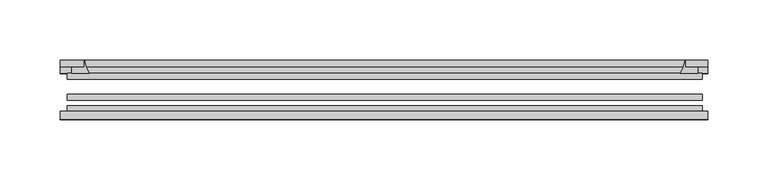
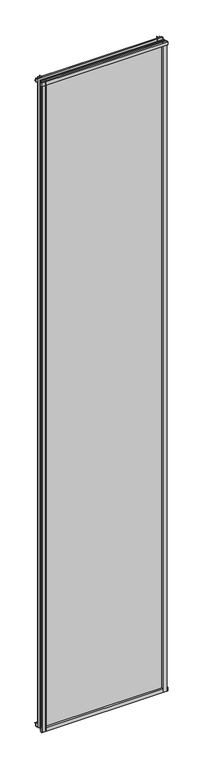
"""IFC4 building model written with IfcOpenShell, lengths in millimetres: plate geometry."""

from ifc_helpers import new_model, si_unit, point, frame, frame_2d, origin, place, context, project, spatial, polyline, circle_curve, trimmed, segment, composite_curve, outline, extrude, source, transform, mapped, element, save


def plate_96d40207(model_context):
    return source(origin(), model_context, "Body", "SweptSolid", [
        extrude(outline(composite_curve([segment(polyline([(-85.1328625, 2900.3813002), (-78.7828625, 2900.3813002), (-78.7828625, 2884.1311909)]), True, "CONTINUOUS"), segment(trimmed(circle_curve(frame_2d((-85.0581856, 2875.0814356)), 11.0126179), [point((-78.7828625, 2884.1311909))], [point((-85.1328625, 2886.0938002))], True, "CARTESIAN"), True, "CONTINUOUS"), segment(polyline([(-85.1328625, 2886.0938002), (-85.1328625, 2900.3813002)]), True, "CONTINUOUS")], self_intersect=False)), frame((-269.2796875, 0.0, 0.0), z_axis=(1.0, 0.0, 0.0), x_axis=(0.0, 1.0, 0.0)), (0.0, 0.0, 1.0), 537.36875),
        extrude(outline(composite_curve([segment(polyline([(-263.525, -78.7828625), (-246.6637844, -78.7828625)]), True, "CONTINUOUS"), segment(trimmed(circle_curve(frame_2d((-236.1013809, -86.7604812)), 13.2365693), [point((-246.6637844, -78.7828625))], [point((-249.2375, -85.1328625))], True, "CARTESIAN"), True, "CONTINUOUS"), segment(polyline([(-249.2375, -85.1328625), (-263.525, -85.1328625), (-263.525, -78.7828625)]), True, "CONTINUOUS")], self_intersect=False)), frame((0.0, 0.0, -14.2875), z_axis=(0.0, 0.0, 1.0), x_axis=(1.0, 0.0, 0.0)), (0.0, 0.0, 1.0), 2914.65),
        extrude(outline(composite_curve([segment(polyline([(263.525, -78.7828625), (263.525, -85.1328625), (249.2375, -85.1328625)]), True, "CONTINUOUS"), segment(trimmed(circle_curve(frame_2d((236.1013809, -86.7604812)), 13.2365693), [point((249.2375, -85.1328625))], [point((246.6637844, -78.7828625))], True, "CARTESIAN"), True, "CONTINUOUS"), segment(polyline([(246.6637844, -78.7828625), (263.525, -78.7828625)]), True, "CONTINUOUS")], self_intersect=False)), frame((0.0, 0.0, -14.2875), z_axis=(0.0, 0.0, 1.0), x_axis=(1.0, 0.0, 0.0)), (0.0, 0.0, 1.0), 2914.65),
        extrude(outline(composite_curve([segment(polyline([(-47.1852625, -10.4712201), (-47.1852625, 3.9588469)]), True, "CONTINUOUS"), segment(trimmed(circle_curve(frame_2d((-30.6824422, 32.267054)), 32.7673262), [point((-47.1852625, 3.9588469))], [point((-36.3503395, -0.00635))], True, "CARTESIAN"), True, "CONTINUOUS"), segment(polyline([(-36.3503395, -0.00635), (-42.2830625, -0.00635), (-42.2830625, -10.4712201), (-47.1852625, -10.4712201)]), True, "CONTINUOUS")], self_intersect=False)), frame((-269.2796875, 0.0, 0.0), z_axis=(1.0, 0.0, 0.0), x_axis=(0.0, 1.0, 0.0)), (0.0, 0.0, 1.0), 537.36875),
        extrude(outline(composite_curve([segment(polyline([(-78.7828625, -14.2875), (-85.1328625, -14.2875), (-85.1328625, -0.0127)]), True, "CONTINUOUS"), segment(trimmed(circle_curve(frame_2d((-86.7604812, 13.1234191)), 13.2365693), [point((-85.1328625, -0.0127))], [point((-78.7828625, 2.5610156))], True, "CARTESIAN"), True, "CONTINUOUS"), segment(polyline([(-78.7828625, 2.5610156), (-78.7828625, -14.2875)]), True, "CONTINUOUS")], self_intersect=False)), frame((-269.2796875, 0.0, 0.0), z_axis=(1.0, 0.0, 0.0), x_axis=(0.0, 1.0, 0.0)), (0.0, 0.0, 1.0), 537.36875),
        extrude(outline(composite_curve([segment(polyline([(-47.1852625, 2882.1034531), (-47.1852625, 2896.7752564), (-42.2830625, 2896.7752564), (-42.2830625, 2886.075), (-36.3140625, 2886.075)]), True, "CONTINUOUS"), segment(trimmed(circle_curve(frame_2d((-30.6824422, 2853.795246)), 32.7673262), [point((-36.3140625, 2886.075))], [point((-47.1852625, 2882.1034531))], True, "CARTESIAN"), True, "CONTINUOUS")], self_intersect=False)), frame((-269.2796875, 0.0, 0.0), z_axis=(1.0, 0.0, 0.0), x_axis=(0.0, 1.0, 0.0)), (0.0, 0.0, 1.0), 537.36875),
        extrude(outline(composite_curve([segment(trimmed(circle_curve(frame_2d((216.957746, -30.6824422)), 32.7673262), [point((245.2659531, -47.1852625))], [point((249.2375, -36.3140625))], True, "CARTESIAN"), True, "CONTINUOUS"), segment(polyline([(249.2375, -36.3140625), (249.2375, -42.2830625), (259.9378653, -42.2830625), (259.9378653, -47.1852625), (245.2659531, -47.1852625)]), True, "CONTINUOUS")], self_intersect=False)), frame((0.0, 0.0, -14.2875), z_axis=(0.0, 0.0, 1.0), x_axis=(1.0, 0.0, 0.0)), (0.0, 0.0, 1.0), 2914.65),
        extrude(outline(composite_curve([segment(polyline([(-245.2659531, -47.1852625), (-259.9327092, -47.1852625), (-259.9327092, -42.2830625), (-249.2375, -42.2830625), (-249.2375, -36.3140625)]), True, "CONTINUOUS"), segment(trimmed(circle_curve(frame_2d((-216.957746, -30.6824422)), 32.7673262), [point((-249.2375, -36.3140625))], [point((-245.2659531, -47.1852625))], True, "CARTESIAN"), True, "CONTINUOUS")], self_intersect=False)), frame((0.0, 0.0, -14.2875), z_axis=(0.0, 0.0, 1.0), x_axis=(1.0, 0.0, 0.0)), (0.0, 0.0, 1.0), 2914.65),
        extrude(outline(polyline([(263.525, -64.6604625), (263.525, -69.4356625), (-263.525, -69.4356625), (-263.525, -64.6604625), (263.525, -64.6604625)])), frame((0.0, 0.0, -14.2875), z_axis=(0.0, 0.0, 1.0), x_axis=(1.0, 0.0, 0.0)), (0.0, 0.0, 1.0), 2914.65),
        extrude(outline(polyline([(-263.525, -78.7828625), (-263.525, -74.0076625), (263.525, -74.0076625), (263.525, -78.7828625), (-263.525, -78.7828625)])), frame((0.0, 0.0, -14.2875), z_axis=(0.0, 0.0, 1.0), x_axis=(1.0, 0.0, 0.0)), (0.0, 0.0, 1.0), 2914.65),
        extrude(outline(polyline([(-263.525, -47.1852625), (263.525, -47.1852625), (263.525, -51.9604625), (-263.525, -51.9604625), (-263.525, -47.1852625)])), frame((0.0, 0.0, -14.2875), z_axis=(0.0, 0.0, 1.0), x_axis=(1.0, 0.0, 0.0)), (0.0, 0.0, 1.0), 2914.65),
    ])


if __name__ == "__main__":
    model = new_model("IFC4")
    model_context = context("Model", 3, world=origin())
    ifc_project = project(units=[si_unit("LENGTHUNIT", "METRE", prefix="MILLI")], contexts=[model_context])
    site = spatial("IfcSite", under=ifc_project)
    building = spatial("IfcBuilding", under=site)
    placement = place(None, origin())
    plate_shape = plate_96d40207(model_context)
    element("IfcPlate", 1, at=placement, inside=building, context=model_context, shape_type="MappedRepresentation", body=[
        mapped(plate_shape, transform((0.0, 0.0, 0.0), x_axis=(1.0, 0.0, 0.0), y_axis=(0.0, 1.0, 0.0), z_axis=(0.0, 0.0, 1.0))),
    ])
    save(model, "model.ifc")
